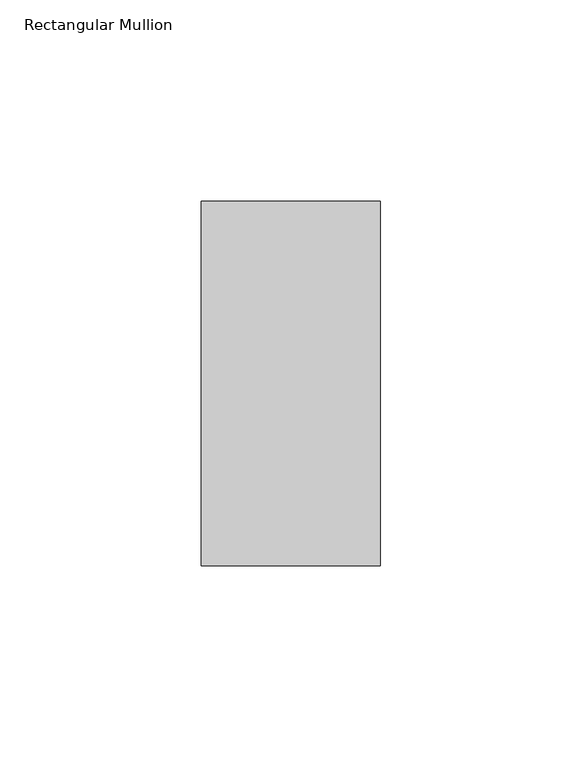
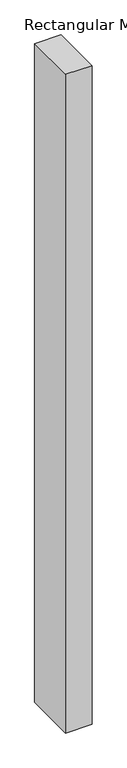
"""IFC4 building model written with IfcOpenShell, lengths in millimetres: member geometry, Rectangular Mullion."""

from ifc_helpers import new_model, si_unit, frame, origin, place, context, project, spatial, polyline, outline, extrude, source, transform, mapped, element, save


def rectangular_mullion_1be9fbb3(model_context):
    return source(origin(), model_context, "Body", "SweptSolid", [
        extrude(outline(polyline([(0.0, 45.2274954), (0.0, -45.2274954), (-44.45, -45.2274954), (-44.45, 45.2274954), (0.0, 45.2274954)])), frame((0.0, 0.0, -1174.7752103), z_axis=(0.0, 0.0, 1.0), x_axis=(1.0, 0.0, 0.0)), (0.0, 0.0, 1.0), 1174.7752103),
    ])


if __name__ == "__main__":
    model = new_model("IFC4")
    model_context = context("Model", 3, world=origin())
    ifc_project = project(units=[si_unit("LENGTHUNIT", "METRE", prefix="MILLI")], contexts=[model_context])
    site = spatial("IfcSite", under=ifc_project)
    building = spatial("IfcBuilding", under=site)
    placement = place(None, origin())
    rectangular_mullion_shape = rectangular_mullion_1be9fbb3(model_context)
    element("IfcMember", 1, ObjectType="Rectangular Mullion", at=placement, inside=building, context=model_context, shape_type="MappedRepresentation", body=[
        mapped(rectangular_mullion_shape, transform((0.0, 0.0, 0.0), x_axis=(1.0, 0.0, 0.0), y_axis=(0.0, 1.0, 0.0), z_axis=(0.0, 0.0, 1.0))),
    ])
    save(model, "model.ifc")
